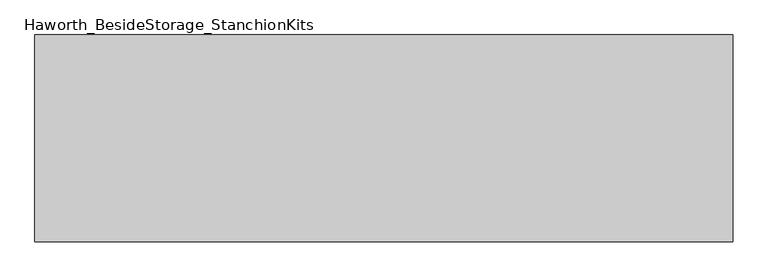
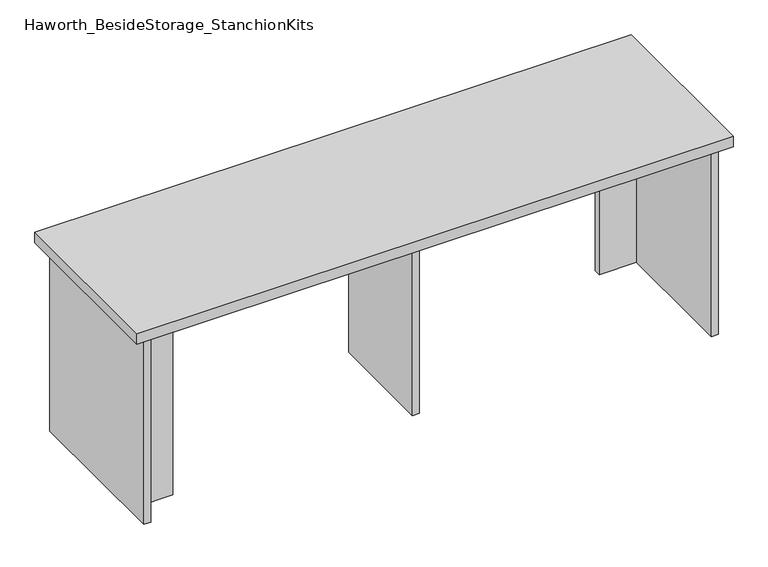
"""IFC4 building model written with IfcOpenShell, lengths in millimetres: furniture geometry, Haworth_BesideStorage_StanchionKits."""

from ifc_helpers import new_model, si_unit, frame, origin, place, context, project, spatial, polyline, outline, extrude, source, transform, mapped, element, save


def haworth_besidestorage_stanchionkits_f4c9e0bf(model_context):
    return source(origin(), model_context, "Body", "SweptSolid", [
        extrude(outline(polyline([(847.725, 0.0), (847.725, -406.4), (-523.875, -406.4), (-523.875, 0.0), (847.725, 0.0)])), frame((0.0, 0.0, 889.0), z_axis=(0.0, 0.0, 1.0), x_axis=(1.0, 0.0, 0.0)), (0.0, 0.0, 1.0), 25.4),
        extrude(outline(polyline([(720.725, -76.2), (806.45, -76.2), (806.45, -92.075), (720.725, -92.075), (720.725, -76.2)])), frame((0.0, 0.0, 431.8), z_axis=(0.0, 0.0, 1.0), x_axis=(1.0, 0.0, 0.0)), (0.0, 0.0, 1.0), 457.2),
        extrude(outline(polyline([(-396.875, -314.325), (-396.875, -330.2), (-482.6, -330.2), (-482.6, -314.325), (-396.875, -314.325)])), frame((0.0, 0.0, 431.8), z_axis=(0.0, 0.0, 1.0), x_axis=(1.0, 0.0, 0.0)), (0.0, 0.0, 1.0), 457.2),
        extrude(outline(polyline([(169.8625, -330.2), (153.9875, -330.2), (153.9875, -76.2), (169.8625, -76.2), (169.8625, -330.2)])), frame((0.0, 0.0, 431.8), z_axis=(0.0, 0.0, 1.0), x_axis=(1.0, 0.0, 0.0)), (0.0, 0.0, 1.0), 457.2),
        extrude(outline(polyline([(822.325, -390.525), (806.45, -390.525), (806.45, -15.875), (822.325, -15.875), (822.325, -390.525)])), frame((0.0, 0.0, 431.8), z_axis=(0.0, 0.0, 1.0), x_axis=(1.0, 0.0, 0.0)), (0.0, 0.0, 1.0), 457.2),
        extrude(outline(polyline([(-482.6, -390.525), (-498.475, -390.525), (-498.475, -15.875), (-482.6, -15.875), (-482.6, -390.525)])), frame((0.0, 0.0, 431.8), z_axis=(0.0, 0.0, 1.0), x_axis=(1.0, 0.0, 0.0)), (0.0, 0.0, 1.0), 457.2),
    ])


if __name__ == "__main__":
    model = new_model("IFC4")
    model_context = context("Model", 3, world=origin())
    ifc_project = project(units=[si_unit("LENGTHUNIT", "METRE", prefix="MILLI")], contexts=[model_context])
    site = spatial("IfcSite", under=ifc_project)
    building = spatial("IfcBuilding", under=site)
    placement = place(None, origin())
    haworth_besidestorage_stanchionkits_shape = haworth_besidestorage_stanchionkits_f4c9e0bf(model_context)
    element("IfcFurniture", 1, ObjectType="Haworth_BesideStorage_StanchionKits", at=placement, inside=building, context=model_context, shape_type="MappedRepresentation", body=[
        mapped(haworth_besidestorage_stanchionkits_shape, transform((0.0, 0.0, 0.0), x_axis=(1.0, 0.0, 0.0), y_axis=(0.0, 1.0, 0.0), z_axis=(0.0, 0.0, 1.0))),
    ])
    save(model, "model.ifc")
